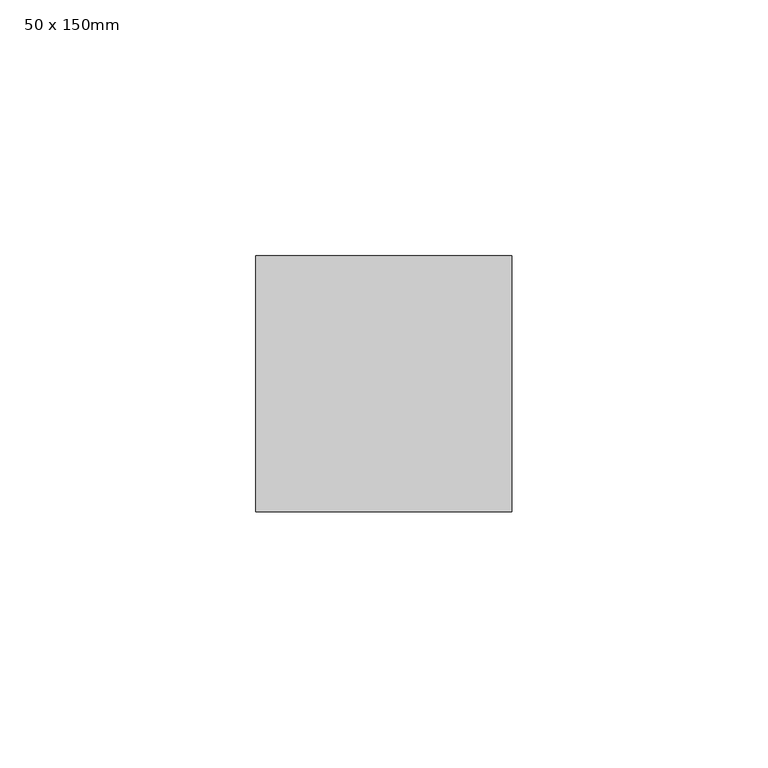
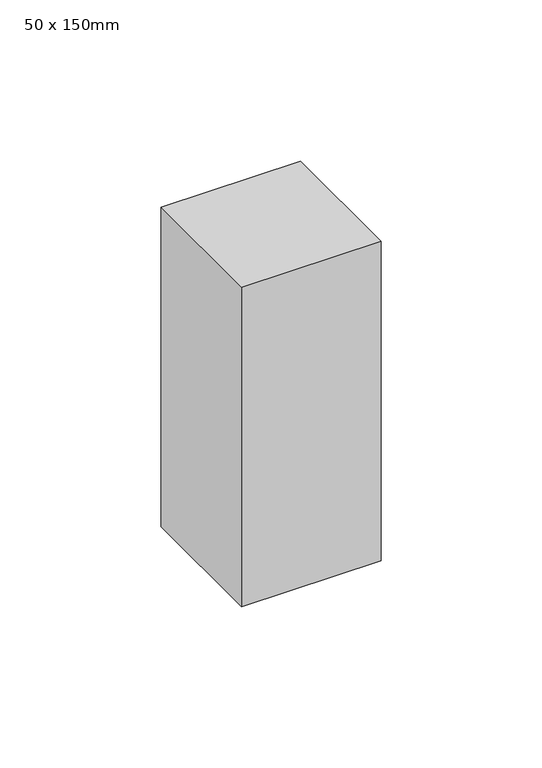
"""IFC4 building model written with IfcOpenShell, lengths in millimetres: member geometry, 50 x 150mm."""

from ifc_helpers import new_model, si_unit, frame, origin, place, context, project, spatial, polyline, outline, extrude, source, transform, mapped, element, save


def member_50_x_150mm_3676be37(model_context):
    return source(origin(), model_context, "Body", "SweptSolid", [
        extrude(outline(polyline([(25.0, 25.0), (25.0, -25.0), (-25.0, -25.0), (-25.0, 25.0), (25.0, 25.0)])), frame((0.0, 0.0, -121.0045), z_axis=(0.0, 0.0, 1.0), x_axis=(1.0, 0.0, 0.0)), (0.0, 0.0, 1.0), 121.0045),
    ])


if __name__ == "__main__":
    model = new_model("IFC4")
    model_context = context("Model", 3, world=origin())
    ifc_project = project(units=[si_unit("LENGTHUNIT", "METRE", prefix="MILLI")], contexts=[model_context])
    site = spatial("IfcSite", under=ifc_project)
    building = spatial("IfcBuilding", under=site)
    placement = place(None, origin())
    member_50_x_150mm_shape = member_50_x_150mm_3676be37(model_context)
    element("IfcMember", 1, ObjectType="50 x 150mm", at=placement, inside=building, context=model_context, shape_type="MappedRepresentation", body=[
        mapped(member_50_x_150mm_shape, transform((0.0, 0.0, 0.0), x_axis=(1.0, 0.0, 0.0), y_axis=(0.0, 1.0, 0.0), z_axis=(0.0, 0.0, 1.0))),
    ])
    save(model, "model.ifc")
